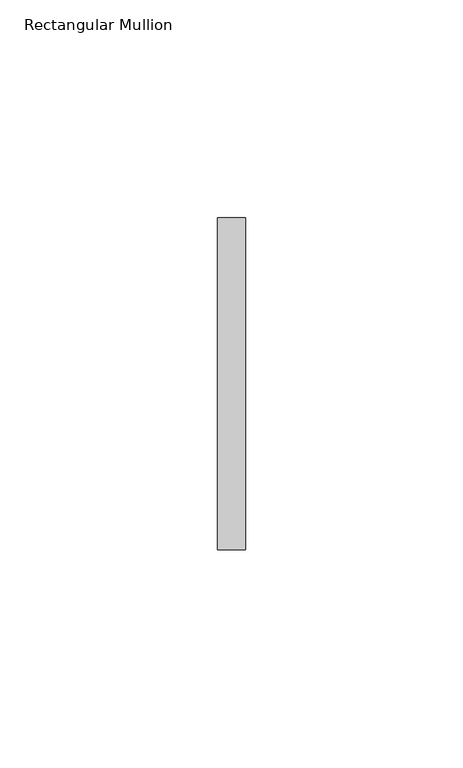
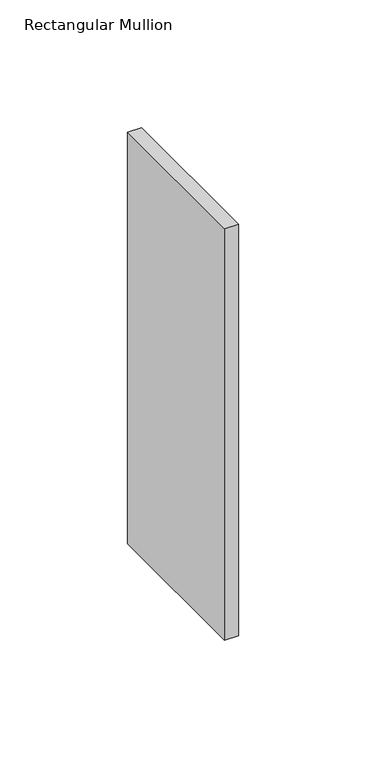
"""IFC4 building model written with IfcOpenShell, lengths in millimetres: member geometry, Rectangular Mullion."""

from ifc_helpers import new_model, si_unit, frame, origin, place, context, project, spatial, polyline, outline, extrude, source, transform, mapped, element, save


def rectangular_mullion_dbf24446(model_context):
    return source(origin(), model_context, "Body", "SweptSolid", [
        extrude(outline(polyline([(0.0, 38.1), (0.0, -38.1), (-6.35, -38.1), (-6.35, 38.1), (0.0, 38.1)])), frame((0.0, 0.0, -196.8500003), z_axis=(0.0, 0.0, 1.0), x_axis=(1.0, 0.0, 0.0)), (0.0, 0.0, 1.0), 196.8500003),
    ])


if __name__ == "__main__":
    model = new_model("IFC4")
    model_context = context("Model", 3, world=origin())
    ifc_project = project(units=[si_unit("LENGTHUNIT", "METRE", prefix="MILLI")], contexts=[model_context])
    site = spatial("IfcSite", under=ifc_project)
    building = spatial("IfcBuilding", under=site)
    placement = place(None, origin())
    rectangular_mullion_shape = rectangular_mullion_dbf24446(model_context)
    element("IfcMember", 1, ObjectType="Rectangular Mullion", at=placement, inside=building, context=model_context, shape_type="MappedRepresentation", body=[
        mapped(rectangular_mullion_shape, transform((0.0, 0.0, 0.0), x_axis=(1.0, 0.0, 0.0), y_axis=(0.0, 1.0, 0.0), z_axis=(0.0, 0.0, 1.0))),
    ])
    save(model, "model.ifc")
